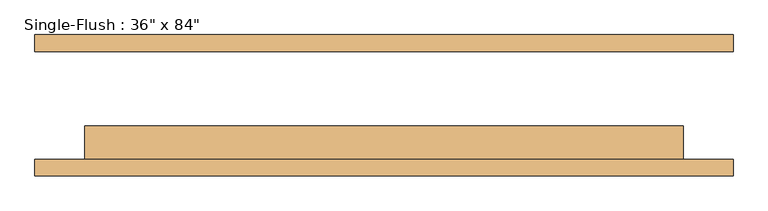
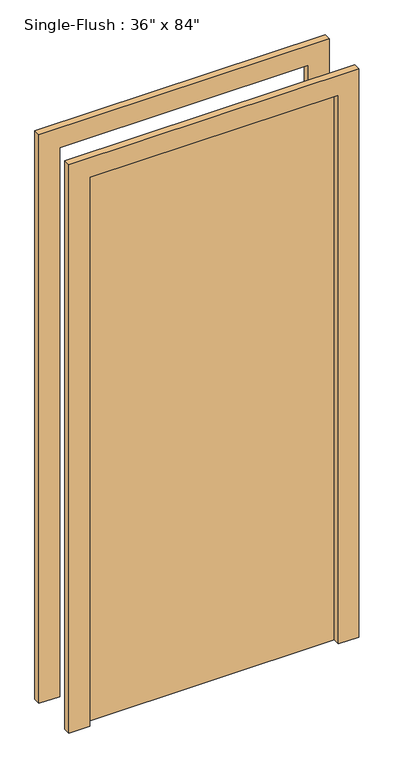
"""IFC4 building model written with IfcOpenShell, lengths in millimetres: door geometry."""

from ifc_helpers import new_model, si_unit, frame, origin, origin_with_axes, place, context, project, spatial, polyline, outline, extrude, source, transform, mapped, element, save


def door_44a3b16d(model_context):
    return source(origin(), model_context, "Body", "SweptSolid", [
        extrude(outline(polyline([(2209.8, -533.4), (0.0, -533.4), (0.0, -457.2), (2133.6, -457.2), (2133.6, 457.2), (0.0, 457.2), (0.0, 533.4), (2209.8, 533.4), (2209.8, -533.4)])), frame((0.0, -107.95, 0.0), z_axis=(0.0, 1.0, 0.0), x_axis=(0.0, 0.0, 1.0)), (0.0, 0.0, 1.0), 25.4),
        extrude(outline(polyline([(2209.8, 533.4), (2209.8, -533.4), (0.0, -533.4), (0.0, -457.2), (2133.6, -457.2), (2133.6, 457.2), (0.0, 457.2), (0.0, 533.4), (2209.8, 533.4)])), frame((0.0, 82.55, 0.0), z_axis=(0.0, 1.0, 0.0), x_axis=(0.0, 0.0, 1.0)), (0.0, 0.0, 1.0), 25.4),
        extrude(outline(polyline([(457.2, -31.75), (457.2, -82.55), (-457.2, -82.55), (-457.2, -31.75), (457.2, -31.75)])), origin_with_axes(), (0.0, 0.0, 1.0), 2133.6),
    ])


if __name__ == "__main__":
    model = new_model("IFC4")
    model_context = context("Model", 3, world=origin())
    ifc_project = project(units=[si_unit("LENGTHUNIT", "METRE", prefix="MILLI")], contexts=[model_context])
    site = spatial("IfcSite", under=ifc_project)
    building = spatial("IfcBuilding", under=site)
    placement = place(None, origin())
    door_shape = door_44a3b16d(model_context)
    element("IfcDoor", 1, ObjectType="Single-Flush : 36\" x 84\"", at=placement, inside=building, context=model_context, shape_type="MappedRepresentation", body=[
        mapped(door_shape, transform((0.0, 0.0, 0.0), x_axis=(1.0, 0.0, 0.0), y_axis=(0.0, 1.0, 0.0), z_axis=(0.0, 0.0, 1.0))),
    ])
    save(model, "model.ifc")
